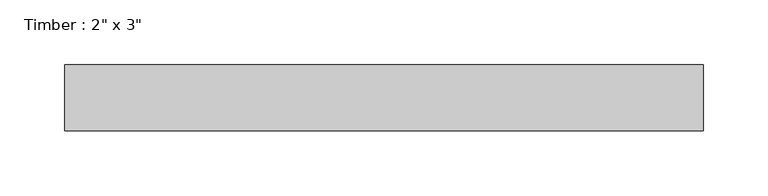
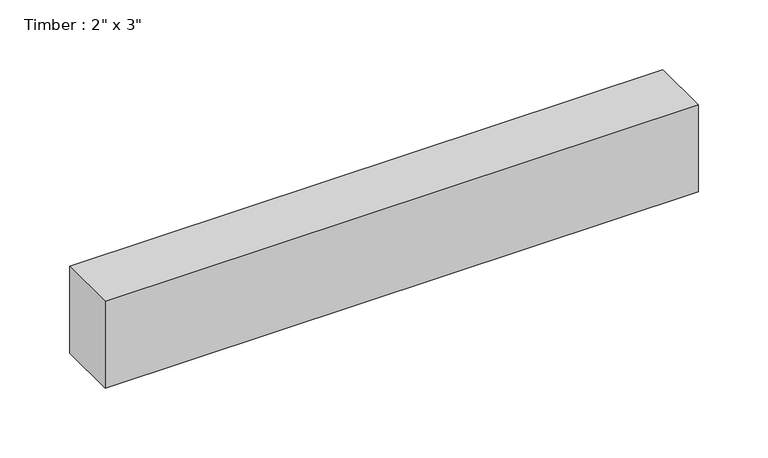
"""IFC4 building model written with IfcOpenShell, lengths in millimetres: beam geometry."""

import ifcopenshell
import ifcopenshell.guid

model = None  # the IFC model being written
_history = None  # IfcOwnerHistory: only IFC2X3 demands one
_inside = {}  # id of a spatial element -> (the spatial element, [elements in it])
_under = {}  # id of a project, library or spatial element -> (it, [spatial elements below it])
_declared = {}  # id of a project -> (the project, [libraries it declares])
_typed = {}  # id of a type object -> (the type object, [elements of that type])
_made_of = {}  # id of a material, layer set ... -> (it, [elements and type objects made of it])


def new_model(schema):
    """Start an empty IFC model of exactly this schema.

    Asked for "IFC4X3", IfcOpenShell would pick the latest addendum, in which some entities
    have other attributes; the version numbers below select the first issue.
    IFC2X3 requires an IfcOwnerHistory on every rooted entity: one is made here for all.
    """
    global model, _history
    if schema == "IFC4X3":
        model = ifcopenshell.file(schema_version=(4, 3, 0, 0))
    else:
        model = ifcopenshell.file(schema=schema)
    _inside.clear()
    _under.clear()
    _declared.clear()
    _typed.clear()
    _made_of.clear()
    _history = None
    if model.schema == "IFC2X3":
        org = make("IfcOrganization", Name="unknown")
        user = make(
            "IfcPersonAndOrganization",
            ThePerson=make("IfcPerson", FamilyName="unknown"),
            TheOrganization=org,
        )
        app = make(
            "IfcApplication",
            ApplicationDeveloper=org,
            Version="unknown",
            ApplicationFullName="unknown",
            ApplicationIdentifier="unknown",
        )
        _history = make(
            "IfcOwnerHistory",
            OwningUser=user,
            OwningApplication=app,
            ChangeAction="ADDED",
            CreationDate=0,
        )
    return model


def make(cls, **values):
    """One entity of the class cls with the attributes given. An attribute that is None is left unset."""
    return model.create_entity(
        cls, **{name: value for name, value in values.items() if value is not None}
    )


def rooted(cls, **values):
    """An entity with a GlobalId (a new one), such as an element, a storey or a relation."""
    return make(cls, GlobalId=ifcopenshell.guid.new(), OwnerHistory=_history, **values)


def si_unit(unit_type, name, prefix=None):
    """IfcSIUnit, for example si_unit("LENGTHUNIT", "METRE", prefix="MILLI")."""
    return make("IfcSIUnit", UnitType=unit_type, Prefix=prefix, Name=name)


def assignment(units):
    """IfcUnitAssignment: the units of a project."""
    return None if units is None else make("IfcUnitAssignment", Units=units)


def point(xyz):
    """IfcCartesianPoint."""
    return None if xyz is None else make("IfcCartesianPoint", Coordinates=xyz)


def direction(xyz):
    """IfcDirection."""
    return None if xyz is None else make("IfcDirection", DirectionRatios=xyz)


def frame(location, z_axis=None, x_axis=None):
    """IfcAxis2Placement3D, a coordinate frame: its origin and axes. An axis left out is left unset."""
    return make(
        "IfcAxis2Placement3D",
        Location=point(location),
        Axis=direction(z_axis),
        RefDirection=direction(x_axis),
    )


def origin():
    """The frame at (0, 0, 0) with its axes left unset."""
    return frame((0.0, 0.0, 0.0))


def place(relative_to, where):
    """IfcLocalPlacement: puts the frame where relative to a parent placement (None: the world)."""
    return make(
        "IfcLocalPlacement", PlacementRelTo=relative_to, RelativePlacement=where
    )


def context(
    kind, dimensions, precision=None, world=None, true_north=None, identifier=None
):
    """IfcGeometricRepresentationContext, for example the 3D "Model" context."""
    return make(
        "IfcGeometricRepresentationContext",
        ContextIdentifier=identifier,
        ContextType=kind,
        CoordinateSpaceDimension=dimensions,
        Precision=precision,
        WorldCoordinateSystem=world,
        TrueNorth=true_north,
    )


def project(units=None, contexts=None):
    """IfcProject with its units and contexts."""
    return rooted(
        "IfcProject",
        Name="project",
        RepresentationContexts=contexts,
        UnitsInContext=assignment(units),
    )


def spatial(cls, under=None, at=None, **own):
    """A site, building, storey or space (cls), placed at a placement, below another one or the project."""
    s = rooted(cls, ObjectPlacement=at, **own)
    if under is not None:
        _under.setdefault(under.id(), (under, []))[1].append(s)
    return s


def polyline(points):
    """IfcPolyline through the points."""
    return make("IfcPolyline", Points=[point(p) for p in points])


def outline(outer, holes=None, kind="AREA"):
    """IfcArbitraryClosedProfileDef: a profile drawn as a closed curve; with holes, ...WithVoids."""
    if holes is None:
        return make("IfcArbitraryClosedProfileDef", ProfileType=kind, OuterCurve=outer)
    return make(
        "IfcArbitraryProfileDefWithVoids",
        ProfileType=kind,
        OuterCurve=outer,
        InnerCurves=holes,
    )


def extrude(swept, where, along, depth):
    """IfcExtrudedAreaSolid: the profile swept, set in the frame where, extruded along a direction by depth."""
    return make(
        "IfcExtrudedAreaSolid",
        SweptArea=swept,
        Position=where,
        ExtrudedDirection=direction(along),
        Depth=depth,
    )


def shape(context_of_items, identifier, shape_type, items):
    """IfcShapeRepresentation: the items that make up one representation, for example the "Body"."""
    return make(
        "IfcShapeRepresentation",
        ContextOfItems=context_of_items,
        RepresentationIdentifier=identifier,
        RepresentationType=shape_type,
        Items=items,
    )


def source(mapping_origin, context_of_items, identifier, shape_type, items):
    """IfcRepresentationMap: a shape defined once, which mapped items show again and again."""
    return make(
        "IfcRepresentationMap",
        MappingOrigin=mapping_origin,
        MappedRepresentation=shape(context_of_items, identifier, shape_type, items),
    )


def transform(
    local_origin,
    x_axis=None,
    y_axis=None,
    z_axis=None,
    scale=None,
    scale2=None,
    scale3=None,
    uniform=True,
):
    """IfcCartesianTransformationOperator3D, or its non-uniform kind. x_axis, y_axis, z_axis: its Axis1, 2, 3."""
    if uniform:
        return make(
            "IfcCartesianTransformationOperator3D",
            Axis1=direction(x_axis),
            Axis2=direction(y_axis),
            LocalOrigin=point(local_origin),
            Scale=scale,
            Axis3=direction(z_axis),
        )
    return make(
        "IfcCartesianTransformationOperator3DnonUniform",
        Axis1=direction(x_axis),
        Axis2=direction(y_axis),
        LocalOrigin=point(local_origin),
        Scale=scale,
        Axis3=direction(z_axis),
        Scale2=scale2,
        Scale3=scale3,
    )


def mapped(mapping_source, mapping_target):
    """IfcMappedItem: shows the shape of a source again, moved by a transform."""
    return make(
        "IfcMappedItem", MappingSource=mapping_source, MappingTarget=mapping_target
    )


def made_of(thing, what):
    """Note that an element or type object is made of a material, layer set ...; save() writes the relation."""
    if what is not None:
        _made_of.setdefault(what.id(), (what, []))[1].append(thing)
    return thing


def element(
    cls,
    number,
    at=None,
    inside=None,
    cuts=None,
    type_object=None,
    material=None,
    context=None,
    identifier="Body",
    shape_type=None,
    held_by="IfcProductDefinitionShape",
    body=None,
    shapes=None,
    **own,
):
    """One element of the class cls, such as IfcWall. Its Tag is "e" and its number.

    at: its placement. inside: the storey or other place that contains it. cuts: it is an
    opening in that element (IfcRelVoidsElement). A single representation is given by context,
    identifier, shape_type and body (its items); several are given by shapes. held_by: the class
    of the entity that holds the representations. save() writes the other relations.
    """
    e = rooted(cls, Tag="e%d" % number, ObjectPlacement=at, **own)
    if body is not None:
        shapes = [shape(context, identifier, shape_type, body)]
    if shapes is not None:
        e.Representation = make(held_by, Representations=shapes)
    if inside is not None:
        _inside.setdefault(inside.id(), (inside, []))[1].append(e)
    if cuts is not None:
        rooted(
            "IfcRelVoidsElement", RelatingBuildingElement=cuts, RelatedOpeningElement=e
        )
    if type_object is not None:
        _typed.setdefault(type_object.id(), (type_object, []))[1].append(e)
    return made_of(e, material)


def aggregate(whole, parts):
    """IfcRelAggregates: a whole, such as a stair, and the parts it consists of."""
    return rooted("IfcRelAggregates", RelatingObject=whole, RelatedObjects=parts)


def save(model, path):
    """Write the relations noted so far, then the file.

    IfcRelAggregates (storeys below a building ...), IfcRelContainedInSpatialStructure (elements
    in a storey), IfcRelDefinesByType, IfcRelAssociatesMaterial and IfcRelDeclares: one each for
    every whole, place, type object, material and project.
    """
    for whole, parts in _under.values():
        aggregate(whole, parts)
    for where, things in _inside.values():
        rooted(
            "IfcRelContainedInSpatialStructure",
            RelatedElements=things,
            RelatingStructure=where,
        )
    for kind, things in _typed.values():
        rooted("IfcRelDefinesByType", RelatedObjects=things, RelatingType=kind)
    for what, things in _made_of.values():
        rooted("IfcRelAssociatesMaterial", RelatedObjects=things, RelatingMaterial=what)
    for by, libraries in _declared.values():
        rooted("IfcRelDeclares", RelatingContext=by, RelatedDefinitions=libraries)
    model.write(path)


def beam_497febae(model_context):
    return source(origin(), model_context, "Body", "SweptSolid", [
        extrude(outline(polyline([(245.7383247, -25.4), (-245.7383247, -25.4), (-245.7383247, 25.4), (245.7383247, 25.4), (245.7383247, -25.4)])), frame((0.0, 0.0, -38.1), z_axis=(0.0, 0.0, 1.0), x_axis=(1.0, 0.0, 0.0)), (0.0, 0.0, 1.0), 76.2),
    ])


if __name__ == "__main__":
    model = new_model("IFC4")
    model_context = context("Model", 3, world=origin())
    ifc_project = project(units=[si_unit("LENGTHUNIT", "METRE", prefix="MILLI")], contexts=[model_context])
    site = spatial("IfcSite", under=ifc_project)
    building = spatial("IfcBuilding", under=site)
    placement = place(None, origin())
    beam_shape = beam_497febae(model_context)
    element("IfcBeam", 1, ObjectType="Timber : 2\" x 3\"", at=placement, inside=building, context=model_context, shape_type="MappedRepresentation", body=[
        mapped(beam_shape, transform((0.0, 0.0, 0.0), x_axis=(1.0, 0.0, 0.0), y_axis=(0.0, 1.0, 0.0), z_axis=(0.0, 0.0, 1.0))),
    ])
    save(model, "model.ifc")
